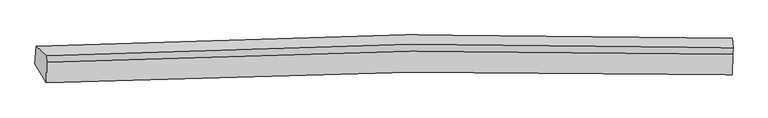
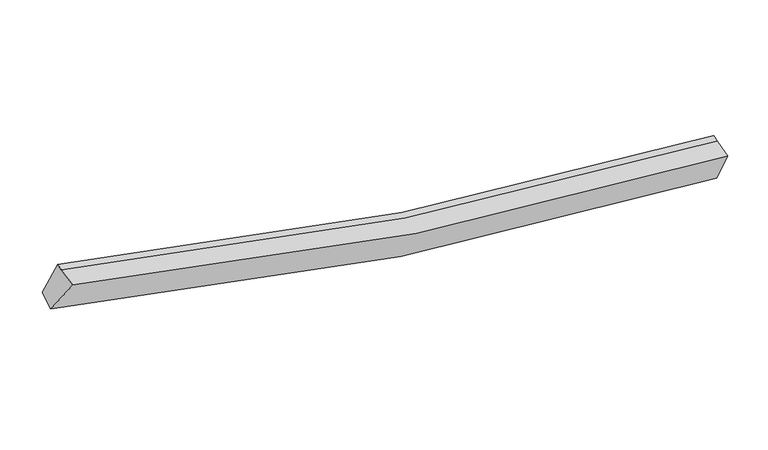
"""IFC4 building model written with IfcOpenShell, lengths in millimetres: proxy geometry."""

from ifc_helpers import new_model, si_unit, frame, origin, place, context, project, spatial, source, transform, mapped, element, save
from ifc_brep_helpers import plane_surface, spline_curve, spline_surface, advanced_brep


def generic_models_4c23d154(model_context):
    return source(origin(), model_context, "Body", "AdvancedBrep", [
        advanced_brep(
        [(-6628.1677699, -2599.7192277, 4537.6963763), (-6863.1543738, -2211.4158695, 3854.7602167), (7281.0280819, -2047.2827267, 1725.4672826), (7289.9556589, -2438.8057089, 2445.9046864), (-6625.036467, -2180.7859645, 4621.3321286), (7302.3823297, -2019.7400573, 2527.9984173), (-6620.7551784, -2045.9377844, 4658.7171378), (7306.6636183, -1884.8918773, 2565.3834266), (-6837.5954667, -1856.1283552, 3998.9045357), (7293.5353077, -1692.1810998, 1871.7767631)],
        [
            (0, 1),
            (1, 2, spline_curve(3, [(-6863.1543738, -2211.4158695, 3854.7602167), (-4382.088103749, -2091.093167535, 3151.998490187), (-1878.75332823, -2019.487443637, 2622.058322828), (2841.428964016, -1976.709918825, 1954.627714322), (5052.821673775, -1993.604595314, 1774.803570965), (7281.0280819, -2047.2827267, 1725.4672826)], [4, 2, 4], [0.0, 24.96359874323359, 46.655283353589006])),
            (2, 3),
            (3, 0, spline_curve(3, [(7289.9556589, -2438.8057089, 2445.9046864), (5088.318190642, -2386.085712961, 2495.654335845), (2907.430249996, -2369.471710766, 2672.997504573), (-1738.675920132, -2411.395814025, 3328.866697477), (-4197.162456458, -2481.647654865, 3848.787424206), (-6628.1677699, -2599.7192277, 4537.6963763)], [4, 2, 4], [0.0, 21.691684610355416, 46.655283353589006])),
            (4, 0),
            (3, 5),
            (5, 4, spline_curve(3, [(7302.3823297, -2019.7400573, 2527.9984173), (5099.93813308, -1957.979872406, 2580.226428383), (2917.948764387, -1936.538323097, 2759.006792683), (-1731.160253491, -1977.139862482, 3415.727774329), (-4191.643816871, -2052.263381175, 3934.725314483), (-6625.036467, -2180.7859645, 4621.3321286)], [4, 2, 4], [0.0, 21.523687163980153, 46.293948187413136])),
            (6, 4),
            (5, 7),
            (7, 6, spline_curve(3, [(7306.6636183, -1884.8918773, 2565.3834266), (5104.219422369, -1823.131692277, 2617.611438039), (2922.230052592, -1801.690142681, 2796.39180198), (-1726.878964652, -1842.291682961, 3453.112783634), (-4187.36252801, -1917.415201567, 3972.11032353), (-6620.7551784, -2045.9377844, 4658.7171378)], [4, 2, 4], [0.0, 21.530928953060766, 46.30952409715053])),
            (8, 6),
            (7, 9),
            (9, 8, spline_curve(3, [(7293.5353077, -1692.1810998, 1871.7767631), (5067.148641894, -1629.557495763, 1923.63227657), (2857.670050901, -1607.863017647, 2104.648358395), (-1858.19229953, -1649.233614809, 2771.787852427), (-4359.090632483, -1725.577178039, 3299.814361966), (-6837.5954667, -1856.1283552, 3998.9045357)], [4, 2, 4], [0.0, 21.688822731519426, 46.64912791797323])),
            (1, 8),
            (9, 2),
        ],
        [
            spline_surface(3, 3, [[(-6628.1677699, -2599.7192277, 4537.6963763), (-4197.162456206, -2481.647655213, 3848.787424352), (-1738.675920362, -2411.395813639, 3328.86669708), (2907.430250196, -2369.471711101, 2672.997504918), (5088.318190646, -2386.085713067, 2495.654335509), (7289.9556589, -2438.8057089, 2445.9046864)], [(-6706.496637872, -2470.284774982, 4310.050989782), (-4258.804338865, -2351.462826035, 3616.524446371), (-1785.368389746, -2280.759690231, 3093.263905621), (2885.429821524, -2238.551113725, 2433.540908112), (5076.486018363, -2255.258673922, 2255.370747263), (7286.979799918, -2308.298048186, 2205.758885126)], [(-6784.825505828, -2340.850322218, 4082.405603218), (-4320.446221506, -2221.27799681, 3384.261468345), (-1832.060859086, -2150.123566847, 2857.661114125), (2863.429392896, -2107.630516374, 2194.084311269), (5064.653846026, -2124.431634718, 2015.087159039), (7284.003940882, -2177.790387414, 1965.613083874)], [(-6863.1543738, -2211.4158695, 3854.7602167), (-4382.088104164, -2091.093167632, 3151.998490365), (-1878.753328469, -2019.487443439, 2622.058322666), (2841.428964223, -1976.709918998, 1954.627714463), (5052.821673742, -1993.604595574, 1774.803570793), (7281.0280819, -2047.2827267, 1725.4672826)]], [4, 4], [4, 2, 4], [0.0, 2.68980456736863], [0.0, 24.96359874323359, 46.655283353589006]),
            spline_surface(3, 3, [[(-6625.036467, -2180.7859645, 4621.3321286), (-4191.643816674, -2052.263381317, 3934.725314075), (-1731.160253475, -1977.139862766, 3415.727774292), (2917.948764373, -1936.53832285, 2759.006792716), (5099.938133411, -1957.979872315, 2580.226428703), (7302.3823297, -2019.7400573, 2527.9984173)], [(-6626.080234651, -2320.430385573, 4593.453544483), (-4193.483363202, -2195.391472622, 3906.079350817), (-1733.665475744, -2121.891846408, 3386.774081882), (2914.442593008, -2080.849452285, 2730.337030111), (5096.064819127, -2100.681819234, 2552.035730964), (7298.240106071, -2159.428607834, 2500.633840326)], [(-6627.124002249, -2460.074806627, 4565.574960417), (-4195.322909678, -2338.519563908, 3877.43338761), (-1736.170698094, -2266.643829997, 3357.82038949), (2910.936421561, -2225.160581667, 2701.667267523), (5092.19150493, -2243.383766148, 2523.845033248), (7294.097882529, -2299.117158366, 2473.269263374)], [(-6628.1677699, -2599.7192277, 4537.6963763), (-4197.162456206, -2481.647655213, 3848.787424352), (-1738.675920362, -2411.395813639, 3328.86669708), (2907.430250196, -2369.471711101, 2672.997504918), (5088.318190646, -2386.085713067, 2495.654335509), (7289.9556589, -2438.8057089, 2445.9046864)]], [4, 4], [4, 2, 4], [0.0, 1.4509259772449696], [0.0, 24.770261023432983, 46.293948187413136]),
            spline_surface(3, 3, [[(-6620.7551784, -2045.9377844, 4658.7171378), (-4187.362528074, -1917.415201217, 3972.110323275), (-1726.878964975, -1842.291682766, 3453.112783592), (2922.230052873, -1801.69014285, 2796.391802016), (5104.219422011, -1823.131692315, 2617.611438003), (7306.6636183, -1884.8918773, 2565.3834266)], [(-6622.182274591, -2090.887177737, 4646.255468052), (-4188.789624265, -1962.364594554, 3959.648653527), (-1728.306061166, -1887.241076103, 3440.651113844), (2920.802956682, -1846.639536186, 2783.930132268), (5102.792325821, -1868.081085652, 2605.149768255), (7305.236522109, -1929.841270637, 2552.921756852)], [(-6623.609370809, -2135.836571163, 4633.793798348), (-4190.216720483, -2007.31398798, 3947.186983823), (-1729.733157284, -1932.19046943, 3428.18944404), (2919.375860563, -1891.588929513, 2771.468462464), (5101.365229602, -1913.030478979, 2592.688098452), (7303.809425891, -1974.790663963, 2540.460087048)], [(-6625.036467, -2180.7859645, 4621.3321286), (-4191.643816674, -2052.263381317, 3934.725314075), (-1731.160253475, -1977.139862766, 3415.727774292), (2917.948764373, -1936.53832285, 2759.006792716), (5099.938133411, -1957.979872315, 2580.226428703), (7302.3823297, -2019.7400573, 2527.9984173)]], [4, 4], [4, 2, 4], [0.0, 0.45931758530183886], [0.0, 24.778595144089763, 46.30952409715053]),
            spline_surface(3, 3, [[(-6837.5954667, -1856.1283552, 3998.9045357), (-4359.090632714, -1725.577177873, 3299.814361827), (-1858.19229937, -1649.233614646, 2771.787852756), (2857.670050762, -1607.863017789, 2104.648358109), (5067.148642194, -1629.55749592, 1923.632276352), (7293.5353077, -1692.1810998, 1871.7767631)], [(-6765.315370585, -1919.398164939, 4218.842069744), (-4301.847931153, -1789.52318566, 3523.913015654), (-1814.421187885, -1713.586304004, 2998.896163034), (2879.190051486, -1672.47205946, 2335.229506078), (5079.505568801, -1694.082228052, 2154.95866358), (7297.911411234, -1756.418025633, 2102.978984277)], [(-6693.035274515, -1982.667974661, 4438.779603756), (-4244.605229636, -1853.46919343, 3748.011669449), (-1770.650076461, -1777.938993409, 3226.004473314), (2900.710052149, -1737.081101179, 2565.810654048), (5091.862495405, -1758.606960183, 2386.285050776), (7302.287514766, -1820.654951467, 2334.181205423)], [(-6620.7551784, -2045.9377844, 4658.7171378), (-4187.362528074, -1917.415201217, 3972.110323275), (-1726.878964975, -1842.291682766, 3453.112783592), (2922.230052873, -1801.69014285, 2796.391802016), (5104.219422011, -1823.131692315, 2617.611438003), (7306.6636183, -1884.8918773, 2565.3834266)]], [4, 4], [4, 2, 4], [0.0, 2.361756959868016], [0.0, 24.960305186453805, 46.64912791797323]),
            spline_surface(3, 3, [[(-6863.1543738, -2211.4158695, 3854.7602167), (-4382.088104164, -2091.093167632, 3151.998490365), (-1878.753328469, -2019.487443439, 2622.058322666), (2841.428964223, -1976.709918998, 1954.627714463), (5052.821673742, -1993.604595574, 1774.803570793), (7281.0280819, -2047.2827267, 1725.4672826)], [(-6854.634738101, -2092.98669807, 3902.808323039), (-4374.422280349, -1969.254504382, 3201.270447525), (-1871.899652112, -1896.069500511, 2671.968166004), (2846.842659727, -1853.760951931, 2004.634595654), (5057.597329893, -1872.255562332, 1824.413139299), (7285.197157167, -1928.915517709, 1774.237109419)], [(-6846.115102399, -1974.55752663, 3950.856429361), (-4366.75645653, -1847.415841123, 3250.542404667), (-1865.045975727, -1772.651557574, 2721.878009417), (2852.256355258, -1730.811984855, 2054.641476918), (5062.372986043, -1750.906529162, 1874.022707847), (7289.366232433, -1810.548308791, 1823.006936281)], [(-6837.5954667, -1856.1283552, 3998.9045357), (-4359.090632714, -1725.577177873, 3299.814361827), (-1858.19229937, -1649.233614646, 2771.787852756), (2857.670050762, -1607.863017789, 2104.648358109), (5067.148642194, -1629.55749592, 1923.632276352), (7293.5353077, -1692.1810998, 1871.7767631)]], [4, 4], [4, 2, 4], [0.0, 1.3098222660235936], [0.0, 25.153615424825063, 47.01041172321007]),
            plane_surface(frame((7294.7129993, -2016.580294, 2227.3061152), z_axis=(0.9993659763722407, -0.024590558220207663, -0.025747809925835245), x_axis=(-0.03058063265451001, -0.963201285784616, -0.2670357803166321))),
            plane_surface(frame((-6714.9418512, -2178.7974403, 4334.282079), z_axis=(-0.9530809108222743, -0.05239809554916937, 0.2981463013505356), x_axis=(0.28656902916693333, -0.4735406806750766, 0.8328489750657718))),
        ],
        [
            (0, [[1, 2, 3, 4]]),
            (1, [[5, -4, 6, 7]]),
            (2, [[8, -7, 9, 10]]),
            (3, [[11, -10, 12, 13]]),
            (4, [[14, -13, 15, -2]]),
            (5, [[-9, -6, -3, -15, -12]]),
            (6, [[-1, -5, -8, -11, -14]]),
        ],
    ),
    ])


if __name__ == "__main__":
    model = new_model("IFC4")
    model_context = context("Model", 3, world=origin())
    ifc_project = project(units=[si_unit("LENGTHUNIT", "METRE", prefix="MILLI")], contexts=[model_context])
    site = spatial("IfcSite", under=ifc_project)
    building = spatial("IfcBuilding", under=site)
    placement = place(None, origin())
    generic_models_shape = generic_models_4c23d154(model_context)
    element("IfcBuildingElementProxy", 1, Name="Generic Models", at=placement, inside=building, context=model_context, shape_type="MappedRepresentation", body=[
        mapped(generic_models_shape, transform((0.0, 0.0, 0.0), x_axis=(1.0, 0.0, 0.0), y_axis=(0.0, 1.0, 0.0), z_axis=(0.0, 0.0, 1.0))),
    ])
    save(model, "model.ifc")
